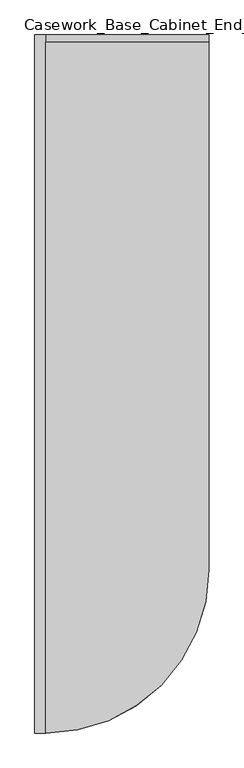
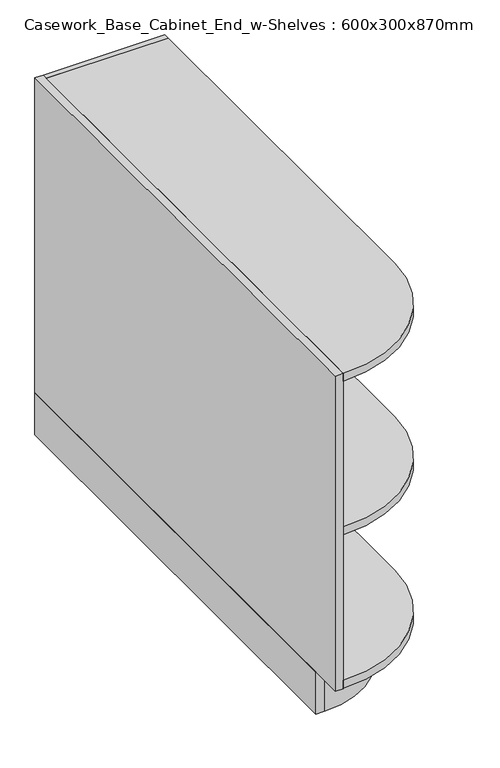
"""IFC4 building model written with IfcOpenShell, lengths in millimetres: furniture geometry, Casework_Base_Cabinet_End_w-Shelves : 600x300x870mm."""

from ifc_helpers import new_model, si_unit, point, frame, frame_2d, origin, origin_with_axes, place, context, project, spatial, polyline, circle_curve, trimmed, segment, composite_curve, outline, extrude, source, transform, mapped, element, save


def casework_base_cabinet_end_w_shelves_600x300x870mm_1910d3a1(model_context):
    return source(origin(), model_context, "Body", "SweptSolid", [
        extrude(outline(composite_curve([segment(polyline([(223.8, 0.0), (223.8, -919.0500002)]), True, "CONTINUOUS"), segment(trimmed(circle_curve(frame_2d((19.0500002, -919.0500002)), 204.7499998), [point((223.8, -919.0500002))], [point((19.0500002, -1123.8))], False, "CARTESIAN"), True, "CONTINUOUS"), segment(polyline([(19.0500002, -1123.8), (0.0, -1123.8), (0.0, 0.0), (223.8, 0.0)]), True, "CONTINUOUS")], self_intersect=False)), origin_with_axes(), (0.0, 0.0, 1.0), 102.790625),
        extrude(outline(composite_curve([segment(polyline([(300.0, -12.7), (300.0, -919.0499999)]), True, "CONTINUOUS"), segment(trimmed(circle_curve(frame_2d((19.05, -919.0499999)), 280.95), [point((300.0, -919.0499999))], [point((19.05, -1199.9999998))], False, "CARTESIAN"), True, "CONTINUOUS"), segment(polyline([(19.05, -1199.9999998), (19.05, -12.7), (300.0, -12.7)]), True, "CONTINUOUS")], self_intersect=False)), frame((0.0, 0.0, 102.790625), z_axis=(0.0, 0.0, 1.0), x_axis=(1.0, 0.0, 0.0)), (0.0, 0.0, 1.0), 19.05),
        extrude(outline(composite_curve([segment(polyline([(19.05, -12.7), (300.0, -12.7), (300.0, -919.05)]), True, "CONTINUOUS"), segment(trimmed(circle_curve(frame_2d((19.05, -919.05)), 280.95), [point((300.0, -919.05))], [point((19.05, -1200.0))], False, "CARTESIAN"), True, "CONTINUOUS"), segment(polyline([(19.05, -1200.0), (19.05, -12.7)]), True, "CONTINUOUS")], self_intersect=False)), frame((0.0, 0.0, 852.140625), z_axis=(0.0, 0.0, 1.0), x_axis=(1.0, 0.0, 0.0)), (0.0, 0.0, 1.0), 19.05),
        extrude(outline(polyline([(0.0, 0.0), (19.05, 0.0), (19.05, -1200.0), (0.0, -1200.0), (0.0, 0.0)])), frame((0.0, 0.0, 101.6), z_axis=(0.0, 0.0, 1.0), x_axis=(1.0, 0.0, 0.0)), (0.0, 0.0, 1.0), 769.590625),
        extrude(outline(polyline([(300.0, 0.0), (300.0, -12.7), (19.05, -12.7), (19.05, 0.0), (300.0, 0.0)])), frame((0.0, 0.0, 101.6), z_axis=(0.0, 0.0, 1.0), x_axis=(1.0, 0.0, 0.0)), (0.0, 0.0, 1.0), 769.590625),
        extrude(outline(composite_curve([segment(polyline([(300.0, -12.7), (300.0, -919.05)]), True, "CONTINUOUS"), segment(trimmed(circle_curve(frame_2d((19.05, -919.05)), 280.95), [point((300.0, -919.05))], [point((19.05, -1200.0))], False, "CARTESIAN"), True, "CONTINUOUS"), segment(polyline([(19.05, -1200.0), (19.05, -12.7), (300.0, -12.7)]), True, "CONTINUOUS")], self_intersect=False)), frame((0.0, 0.0, 477.465625), z_axis=(0.0, 0.0, 1.0), x_axis=(1.0, 0.0, 0.0)), (0.0, 0.0, 1.0), 19.05),
    ])


if __name__ == "__main__":
    model = new_model("IFC4")
    model_context = context("Model", 3, world=origin())
    ifc_project = project(units=[si_unit("LENGTHUNIT", "METRE", prefix="MILLI")], contexts=[model_context])
    site = spatial("IfcSite", under=ifc_project)
    building = spatial("IfcBuilding", under=site)
    placement = place(None, origin())
    casework_base_cabinet_end_w_shelves_600x300x870mm_shape = casework_base_cabinet_end_w_shelves_600x300x870mm_1910d3a1(model_context)
    element("IfcFurniture", 1, ObjectType="Casework_Base_Cabinet_End_w-Shelves : 600x300x870mm", at=placement, inside=building, context=model_context, shape_type="MappedRepresentation", body=[
        mapped(casework_base_cabinet_end_w_shelves_600x300x870mm_shape, transform((0.0, 0.0, 0.0), x_axis=(1.0, 0.0, 0.0), y_axis=(0.0, 1.0, 0.0), z_axis=(0.0, 0.0, 1.0))),
    ])
    save(model, "model.ifc")
